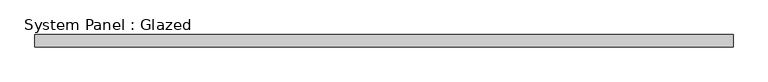
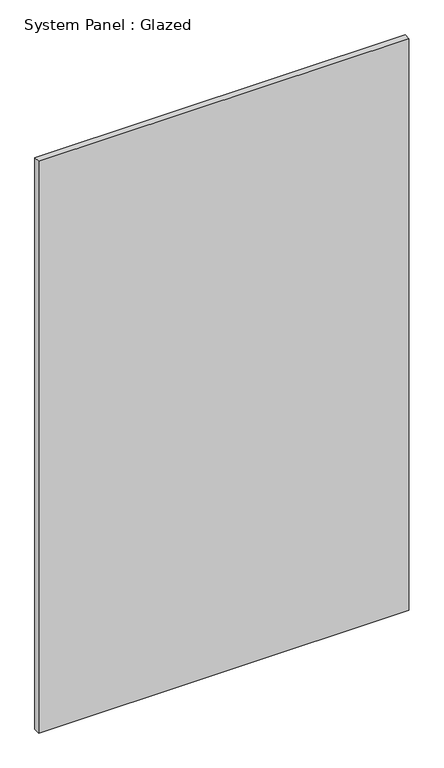
"""IFC4 building model written with IfcOpenShell, lengths in millimetres: plate geometry, System Panel : Glazed."""

from ifc_helpers import new_model, si_unit, origin, origin_with_axes, place, context, project, spatial, polyline, outline, extrude, source, transform, mapped, element, save


def system_panel_glazed_c5f8376d(model_context):
    return source(origin(), model_context, "Body", "SweptSolid", [
        extrude(outline(polyline([(717.55, 19.05), (-717.55, 19.05), (-717.55, 44.45), (717.55, 44.45), (717.55, 19.05)])), origin_with_axes(), (0.0, 0.0, 1.0), 2343.15),
    ])


if __name__ == "__main__":
    model = new_model("IFC4")
    model_context = context("Model", 3, world=origin())
    ifc_project = project(units=[si_unit("LENGTHUNIT", "METRE", prefix="MILLI")], contexts=[model_context])
    site = spatial("IfcSite", under=ifc_project)
    building = spatial("IfcBuilding", under=site)
    placement = place(None, origin())
    system_panel_glazed_shape = system_panel_glazed_c5f8376d(model_context)
    element("IfcPlate", 1, ObjectType="System Panel : Glazed", at=placement, inside=building, context=model_context, shape_type="MappedRepresentation", body=[
        mapped(system_panel_glazed_shape, transform((0.0, 0.0, 0.0), x_axis=(1.0, 0.0, 0.0), y_axis=(0.0, 1.0, 0.0), z_axis=(0.0, 0.0, 1.0))),
    ])
    save(model, "model.ifc")
